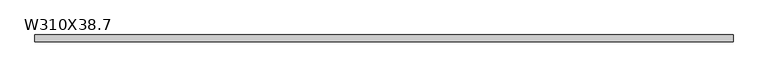
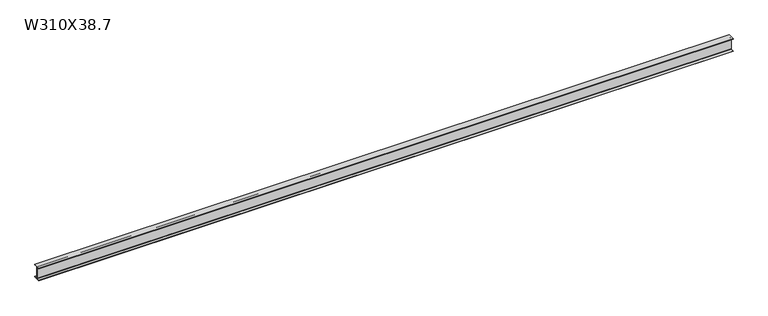
"""IFC4 building model written with IfcOpenShell, lengths in millimetres: beam geometry, W310X38.7."""

from ifc_helpers import new_model, si_unit, point, frame, frame_2d, origin, place, context, project, spatial, polyline, circle_curve, trimmed, segment, composite_curve, outline, extrude, source, transform, mapped, element, save


def w310x38_7_28480fa9(model_context):
    return source(origin(), model_context, "Body", "SweptSolid", [
        extrude(outline(composite_curve([segment(polyline([(82.5, -145.35), (82.5, -155.0), (-82.5, -155.0), (-82.5, -145.35), (-10.57, -145.35)]), True, "CONTINUOUS"), segment(trimmed(circle_curve(frame_2d((-10.57, -137.7)), 7.65), [point((-10.57, -145.35))], [point((-2.92, -137.7))], True, "CARTESIAN"), True, "CONTINUOUS"), segment(polyline([(-2.92, -137.7), (-2.92, 137.7)]), True, "CONTINUOUS"), segment(trimmed(circle_curve(frame_2d((-10.57, 137.7)), 7.65), [point((-2.92, 137.7))], [point((-10.57, 145.35))], True, "CARTESIAN"), True, "CONTINUOUS"), segment(polyline([(-10.57, 145.35), (-82.5, 145.35), (-82.5, 155.0), (82.5, 155.0), (82.5, 145.35), (10.57, 145.35)]), True, "CONTINUOUS"), segment(trimmed(circle_curve(frame_2d((10.57, 137.7)), 7.65), [point((10.57, 145.35))], [point((2.92, 137.7))], True, "CARTESIAN"), True, "CONTINUOUS"), segment(polyline([(2.92, 137.7), (2.92, -137.7)]), True, "CONTINUOUS"), segment(trimmed(circle_curve(frame_2d((10.57, -137.7)), 7.65), [point((2.92, -137.7))], [point((10.57, -145.35))], True, "CARTESIAN"), True, "CONTINUOUS"), segment(polyline([(10.57, -145.35), (82.5, -145.35)]), True, "CONTINUOUS")], self_intersect=False)), frame((-8150.0, 0.0, 0.0), z_axis=(1.0, 0.0, 0.0), x_axis=(0.0, 1.0, 0.0)), (0.0, 0.0, 1.0), 16300.0),
    ])


if __name__ == "__main__":
    model = new_model("IFC4")
    model_context = context("Model", 3, world=origin())
    ifc_project = project(units=[si_unit("LENGTHUNIT", "METRE", prefix="MILLI")], contexts=[model_context])
    site = spatial("IfcSite", under=ifc_project)
    building = spatial("IfcBuilding", under=site)
    placement = place(None, origin())
    w310x38_7_shape = w310x38_7_28480fa9(model_context)
    element("IfcBeam", 1, ObjectType="W310X38.7", at=placement, inside=building, context=model_context, shape_type="MappedRepresentation", body=[
        mapped(w310x38_7_shape, transform((0.0, 0.0, 0.0), x_axis=(1.0, 0.0, 0.0), y_axis=(0.0, 1.0, 0.0), z_axis=(0.0, 0.0, 1.0))),
    ])
    save(model, "model.ifc")
